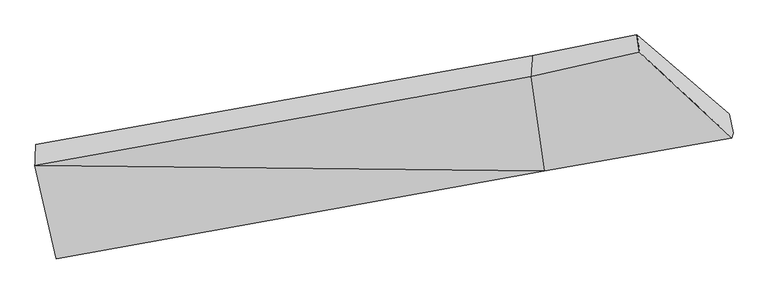
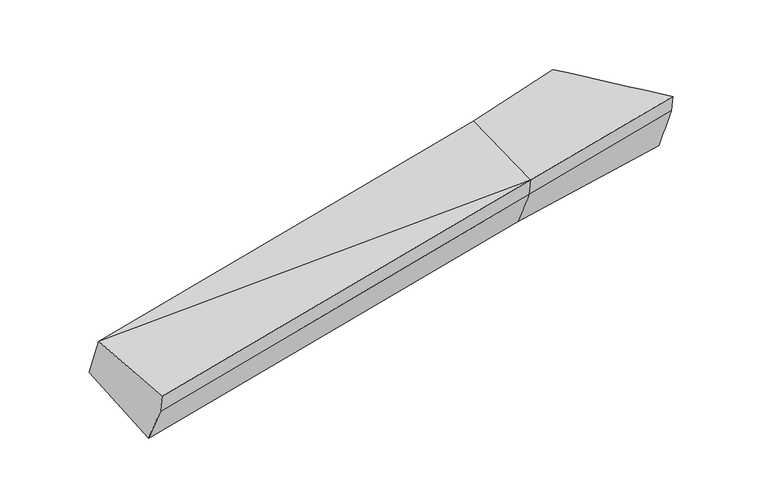
"""IFC4 building model written with IfcOpenShell, lengths in millimetres: proxy geometry."""

from ifc_helpers import new_model, si_unit, frame, origin, place, context, project, spatial, source, transform, mapped, element, save
from ifc_brep_helpers import plane_surface, spline_surface, advanced_brep


def generic_models_f507ff71(model_context):
    return source(origin(), model_context, "Body", "AdvancedBrep", [
        advanced_brep(
        [(-2756.3941879, -1718.8361036, 1574.3869557), (-2763.0204752, -1868.5058132, 1946.0103914), (756.9980495, -1236.6538033, 2289.5444314), (768.9090187, -1086.118176, 1918.4028663), (-2612.1647783, -2530.568293, 1802.9181765), (851.1932106, -1908.0003534, 2141.2857664), (-2603.8222421, -2495.1287726, 1647.7409175), (859.5357468, -1872.5608329, 1986.1085074), (-2604.4167913, -2323.0377871, 1301.910908), (866.5348994, -1699.2255871, 1640.9709108), (2192.9230487, -1636.7106313, 2122.0271375), (2165.308859, -1503.629557, 1742.9490836), (1510.4687399, -939.3528277, 1993.5008571), (1528.4570565, -1064.0726042, 2376.0242198), (2184.8240528, -1671.1155801, 2272.6743692)],
        [
            (0, 1),
            (1, 2),
            (2, 3),
            (3, 0),
            (1, 4),
            (4, 5),
            (5, 1),
            (4, 6),
            (6, 7),
            (7, 5),
            (6, 8),
            (8, 9),
            (9, 7),
            (8, 0),
            (3, 9),
            (10, 11),
            (11, 12),
            (12, 13),
            (13, 14),
            (14, 10),
            (5, 2),
            (9, 11),
            (10, 7),
            (3, 12),
            (2, 13),
            (5, 14),
        ],
        [
            spline_surface(1, 1, [[(-2756.3941879, -1718.8361036, 1574.3869557), (768.9090187, -1086.118176, 1918.4028663)], [(-2763.0204752, -1868.5058132, 1946.0103914), (756.9980495, -1236.6538033, 2289.5444314)]], [2, 2], [2, 2], [0.0, 1.0], [0.0, 1.0]),
            plane_surface(frame((-2687.5926268, -2199.5370531, 1874.464284), z_axis=(-0.055022313440286796, -0.222895014206027, 0.9732884247055309), x_axis=(0.2173885747488135, -0.954056239651911, -0.2062011133576512))),
            plane_surface(frame((-2607.9935102, -2512.8485328, 1725.329547), z_axis=(0.19273715444224826, -0.9588183339542266, -0.2086139778891778), x_axis=(0.05234002073757538, 0.22234308546995707, -0.9735625683914155))),
            spline_surface(1, 1, [[(-2603.8222421, -2495.1287726, 1647.7409175), (859.5357468, -1872.5608329, 1986.1085074)], [(-2604.4167913, -2323.0377871, 1301.910908), (866.5348994, -1699.2255871, 1640.9709108)]], [2, 2], [2, 2], [0.0, 1.0], [0.0, 1.0]),
            spline_surface(1, 1, [[(-2604.4167913, -2323.0377871, 1301.910908), (866.5348994, -1699.2255871, 1640.9709108)], [(-2756.3941879, -1718.8361036, 1574.3869557), (768.9090187, -1086.118176, 1918.4028663)]], [2, 2], [2, 2], [0.0, 1.0], [0.0, 1.0]),
            plane_surface(frame((1916.3963514, -1362.9762401, 2101.4351335), z_axis=(0.6821927148244196, 0.7040055615901687, 0.19745700567617214), x_axis=(-0.06857134122955545, 0.3304658897166707, -0.9413236780702743))),
            plane_surface(frame((-2667.963695, -2187.2153539, 1654.5934698), z_axis=(-0.9746808348366394, -0.20084880862214383, -0.09827016982389625), x_axis=(0.22349617144937142, -0.8885318875727009, -0.40070007001991736))),
            plane_surface(frame((-2763.0204752, -1868.5058132, 1946.0103914), z_axis=(-0.05502263591520232, -0.22267029125166957, 0.9733398434929292), x_axis=(0.13573867107936521, -0.9674349243376575, -0.21364615687018307))),
            spline_surface(1, 1, [[(859.5357468, -1872.5608329, 1986.1085074), (2192.9230487, -1636.7106313, 2122.0271375)], [(866.5348994, -1699.2255871, 1640.9709108), (2165.308859, -1503.629557, 1742.9490836)]], [2, 2], [2, 2], [0.0, 1.0], [0.0, 1.0]),
            spline_surface(1, 1, [[(866.5348994, -1699.2255871, 1640.9709108), (2165.308859, -1503.629557, 1742.9490836)], [(768.9090187, -1086.118176, 1918.4028663), (1510.4687399, -939.3528277, 1993.5008571)]], [2, 2], [2, 2], [0.0, 1.0], [0.0, 1.0]),
            spline_surface(1, 1, [[(768.9090187, -1086.118176, 1918.4028663), (1510.4687399, -939.3528277, 1993.5008571)], [(756.9980495, -1236.6538033, 2289.5444314), (1528.4570565, -1064.0726042, 2376.0242198)]], [2, 2], [2, 2], [0.0, 1.0], [0.0, 1.0]),
            spline_surface(1, 1, [[(756.9980495, -1236.6538033, 2289.5444314), (1528.4570565, -1064.0726042, 2376.0242198)], [(851.1932106, -1908.0003534, 2141.2857664), (2184.8240528, -1671.1155801, 2272.6743692)]], [2, 2], [2, 2], [0.0, 1.0], [0.0, 1.0]),
            plane_surface(frame((855.3644787, -1890.2805931, 2063.6971369), z_axis=(0.1909358549925631, -0.9591415314923276, -0.20878463028875285), x_axis=(0.05234002073762915, 0.22234308547001003, -0.9735625683914005))),
        ],
        [
            (0, [[1, 2, 3, 4]]),
            (1, [[5, 6, 7]]),
            (2, [[8, 9, 10, -6]]),
            (3, [[11, 12, 13, -9]]),
            (4, [[14, -4, 15, -12]]),
            (5, [[16, 17, 18, 19, 20]]),
            (6, [[-14, -11, -8, -5, -1]]),
            (7, [[21, -2, -7]]),
            (8, [[-13, 22, -16, 23]]),
            (9, [[-15, 24, -17, -22]]),
            (10, [[-3, 25, -18, -24]]),
            (11, [[-21, 26, -19, -25]]),
            (12, [[-10, -23, -20, -26]]),
        ],
    ),
    ])


if __name__ == "__main__":
    model = new_model("IFC4")
    model_context = context("Model", 3, world=origin())
    ifc_project = project(units=[si_unit("LENGTHUNIT", "METRE", prefix="MILLI")], contexts=[model_context])
    site = spatial("IfcSite", under=ifc_project)
    building = spatial("IfcBuilding", under=site)
    placement = place(None, origin())
    generic_models_shape = generic_models_f507ff71(model_context)
    element("IfcBuildingElementProxy", 1, Name="Generic Models", at=placement, inside=building, context=model_context, shape_type="MappedRepresentation", body=[
        mapped(generic_models_shape, transform((0.0, 0.0, 0.0), x_axis=(1.0, 0.0, 0.0), y_axis=(0.0, 1.0, 0.0), z_axis=(0.0, 0.0, 1.0))),
    ])
    save(model, "model.ifc")
